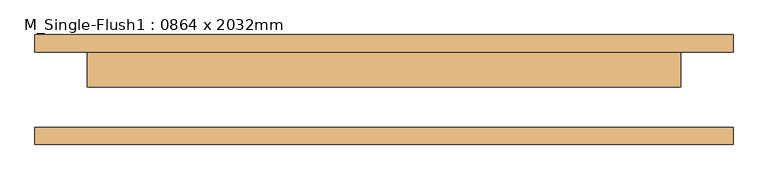
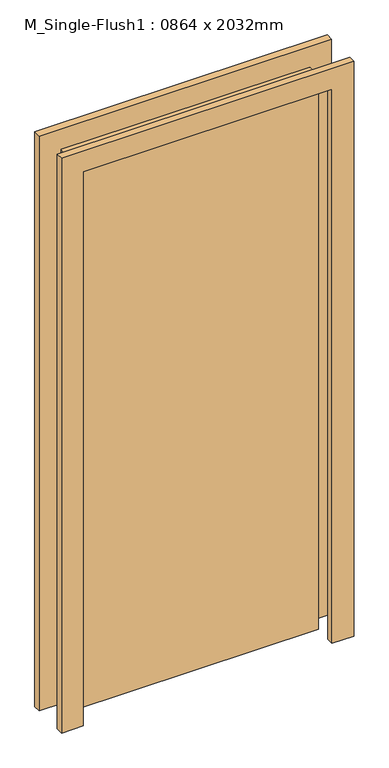
"""IFC4 building model written with IfcOpenShell, lengths in millimetres: door geometry, M_Single-Flush1 : 0864 x 2032mm."""

from ifc_helpers import new_model, si_unit, frame, origin, origin_with_axes, place, context, project, spatial, polyline, outline, extrude, source, transform, mapped, element, save


def m_single_flush1_0864_x_2032mm_b5bc8f64(model_context):
    return source(origin(), model_context, "Body", "SweptSolid", [
        extrude(outline(polyline([(2108.0, -508.0), (0.0, -508.0), (0.0, -432.0), (2032.0, -432.0), (2032.0, 432.0), (0.0, 432.0), (0.0, 508.0), (2108.0, 508.0), (2108.0, -508.0)])), frame((0.0, 55.0, 0.0), z_axis=(0.0, 1.0, 0.0), x_axis=(0.0, 0.0, 1.0)), (0.0, 0.0, 1.0), 25.0),
        extrude(outline(polyline([(2108.0, 508.0), (2108.0, -508.0), (0.0, -508.0), (0.0, -432.0), (2032.0, -432.0), (2032.0, 432.0), (0.0, 432.0), (0.0, 508.0), (2108.0, 508.0)])), frame((0.0, -80.0, 0.0), z_axis=(0.0, 1.0, 0.0), x_axis=(0.0, 0.0, 1.0)), (0.0, 0.0, 1.0), 25.0),
        extrude(outline(polyline([(432.0, 4.0), (-432.0, 4.0), (-432.0, 55.0), (432.0, 55.0), (432.0, 4.0)])), origin_with_axes(), (0.0, 0.0, 1.0), 2032.0),
    ])


if __name__ == "__main__":
    model = new_model("IFC4")
    model_context = context("Model", 3, world=origin())
    ifc_project = project(units=[si_unit("LENGTHUNIT", "METRE", prefix="MILLI")], contexts=[model_context])
    site = spatial("IfcSite", under=ifc_project)
    building = spatial("IfcBuilding", under=site)
    placement = place(None, origin())
    m_single_flush1_0864_x_2032mm_shape = m_single_flush1_0864_x_2032mm_b5bc8f64(model_context)
    element("IfcDoor", 1, ObjectType="M_Single-Flush1 : 0864 x 2032mm", at=placement, inside=building, context=model_context, shape_type="MappedRepresentation", body=[
        mapped(m_single_flush1_0864_x_2032mm_shape, transform((0.0, 0.0, 0.0), x_axis=(1.0, 0.0, 0.0), y_axis=(0.0, 1.0, 0.0), z_axis=(0.0, 0.0, 1.0))),
    ])
    save(model, "model.ifc")
